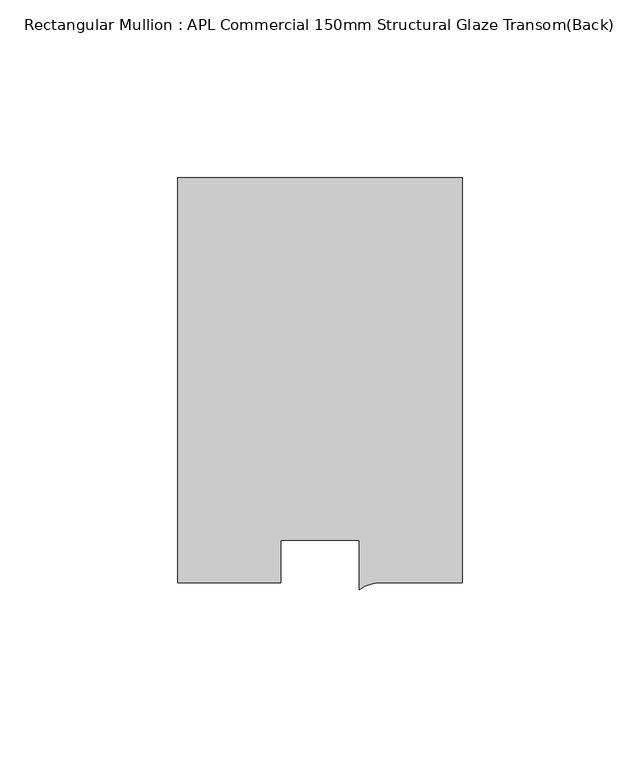
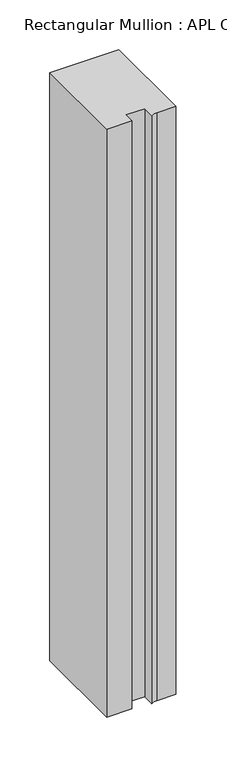
"""IFC4 building model written with IfcOpenShell, lengths in millimetres: member geometry, Rectangular Mullion : APL Commercial 150mm Structural Glaze Transom(Back)."""

from ifc_helpers import new_model, si_unit, point, frame, frame_2d, origin, place, context, project, spatial, polyline, circle_curve, trimmed, segment, composite_curve, outline, extrude, source, transform, mapped, element, save


def rectangular_mullion_apl_commercial_150mm_structural_glaze_a40abb84(model_context):
    return source(origin(), model_context, "Body", "SweptSolid", [
        extrude(outline(composite_curve([segment(polyline([(40.0, 128.9999975), (40.0, 15.0000829), (17.9999542, 15.0000829)]), True, "CONTINUOUS"), segment(trimmed(circle_curve(frame_2d((17.1097719, 4.581653)), 10.4563907), [point((17.9999542, 15.0000829))], [point((11.0000151, 13.0673455))], True, "CARTESIAN"), True, "CONTINUOUS"), segment(polyline([(11.0000151, 13.0673455), (11.0000151, 27.0), (-11.0000151, 27.0), (-11.0000151, 15.0000829), (-40.0, 15.0000829), (-40.0, 128.9999975), (40.0, 128.9999975)]), True, "CONTINUOUS")], self_intersect=False)), frame((0.0, 0.0, -720.0500409), z_axis=(0.0, 0.0, 1.0), x_axis=(1.0, 0.0, 0.0)), (0.0, 0.0, 1.0), 720.0500409),
    ])


if __name__ == "__main__":
    model = new_model("IFC4")
    model_context = context("Model", 3, world=origin())
    ifc_project = project(units=[si_unit("LENGTHUNIT", "METRE", prefix="MILLI")], contexts=[model_context])
    site = spatial("IfcSite", under=ifc_project)
    building = spatial("IfcBuilding", under=site)
    placement = place(None, origin())
    rectangular_mullion_apl_commercial_150mm_structural_glaze_shape = rectangular_mullion_apl_commercial_150mm_structural_glaze_a40abb84(model_context)
    element("IfcMember", 1, ObjectType="Rectangular Mullion : APL Commercial 150mm Structural Glaze Transom(Back)", at=placement, inside=building, context=model_context, shape_type="MappedRepresentation", body=[
        mapped(rectangular_mullion_apl_commercial_150mm_structural_glaze_shape, transform((0.0, 0.0, 0.0), x_axis=(1.0, 0.0, 0.0), y_axis=(0.0, 1.0, 0.0), z_axis=(0.0, 0.0, 1.0))),
    ])
    save(model, "model.ifc")
